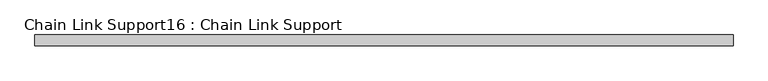
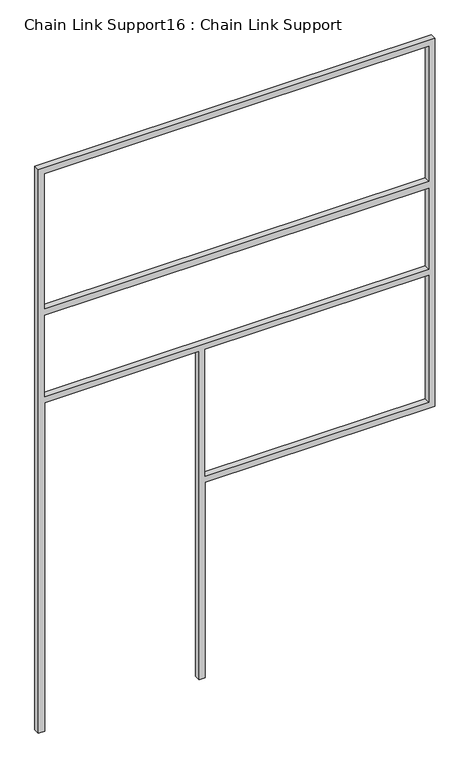
"""IFC4 building model written with IfcOpenShell, lengths in millimetres: proxy geometry, Chain Link Support16 : Chain Link Support."""

from ifc_helpers import new_model, si_unit, frame, origin, place, context, project, spatial, polyline, outline, extrude, source, transform, mapped, element, save


def chain_link_support16_chain_link_support_bd8e66f5(model_context):
    return source(origin(), model_context, "Body", "SweptSolid", [
        extrude(outline(polyline([(3657.6, -8585.0695328), (0.0, -8585.0695328), (0.0, -8546.9695328), (2133.6, -8546.9695328), (2133.6, -7597.6445328), (0.0, -7597.6445328), (0.0, -7559.5445328), (1270.0, -7559.5445328), (1270.0, -6146.6695328), (3657.6, -6146.6695328), (3657.6, -8585.0695328)]), holes=[polyline([(2743.2, -8546.9695328), (3619.5, -8546.9695328), (3619.5, -6184.7695328), (2743.2, -6184.7695328), (2743.2, -8546.9695328)]), polyline([(1308.1, -6184.7695328), (1308.1, -7559.5445328), (2133.6, -7559.5445328), (2133.6, -6184.7695328), (1308.1, -6184.7695328)]), polyline([(2171.7, -8546.9695328), (2698.75, -8546.9695328), (2698.75, -6184.7695328), (2171.7, -6184.7695328), (2171.7, -8546.9695328)])]), frame((0.0, 32294.8400937, 0.0), z_axis=(0.0, 1.0, 0.0), x_axis=(0.0, 0.0, 1.0)), (0.0, 0.0, 1.0), 38.1),
    ])


if __name__ == "__main__":
    model = new_model("IFC4")
    model_context = context("Model", 3, world=origin())
    ifc_project = project(units=[si_unit("LENGTHUNIT", "METRE", prefix="MILLI")], contexts=[model_context])
    site = spatial("IfcSite", under=ifc_project)
    building = spatial("IfcBuilding", under=site)
    placement = place(None, origin())
    chain_link_support16_chain_link_support_shape = chain_link_support16_chain_link_support_bd8e66f5(model_context)
    element("IfcBuildingElementProxy", 1, Name="Chain Link Support16 : Chain Link Support", ObjectType="Chain Link Support16 : Chain Link Support", at=placement, inside=building, context=model_context, shape_type="MappedRepresentation", body=[
        mapped(chain_link_support16_chain_link_support_shape, transform((0.0, 0.0, 0.0), x_axis=(1.0, 0.0, 0.0), y_axis=(0.0, 1.0, 0.0), z_axis=(0.0, 0.0, 1.0))),
    ])
    save(model, "model.ifc")
